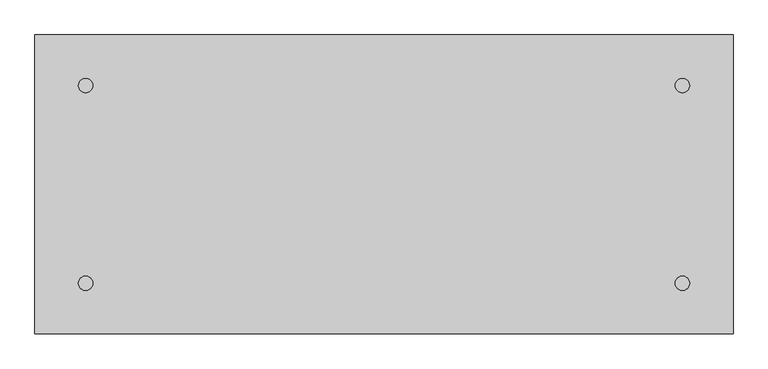
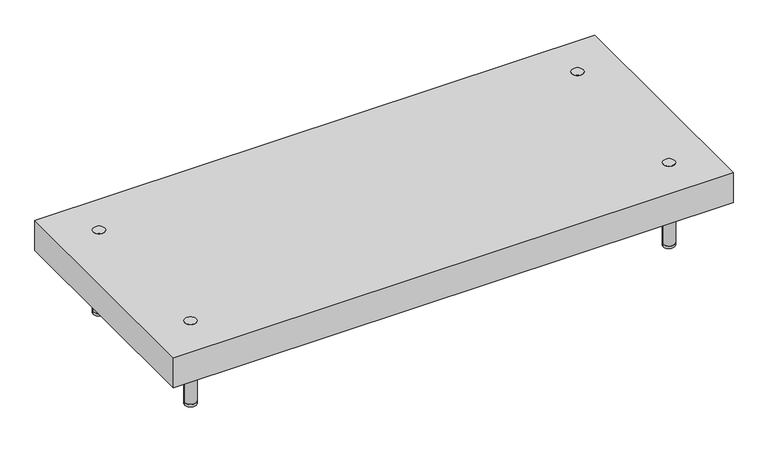
"""IFC4 building model written with IfcOpenShell, lengths in millimetres: furniture geometry."""

from ifc_helpers import new_model, si_unit, point, frame, frame_2d, origin, origin_with_axes, place, context, project, spatial, circle_curve, trimmed, segment, composite_curve, outline, extrude, faceted_brep, source, transform, mapped, element, save


def furniture_780ee21c(model_context):
    return source(origin(), model_context, "Body", "SolidModel", [
        extrude(outline(composite_curve([segment(trimmed(circle_curve(frame_2d((-694.7296875, 501.65)), 14.2875), [point((-709.0171875, 501.65))], [point((-680.4421875, 501.65))], False, "CARTESIAN"), True, "CONTINUOUS"), segment(trimmed(circle_curve(frame_2d((-694.7296875, 501.65)), 14.2875), [point((-680.4421875, 501.65))], [point((-709.0171875, 501.65))], False, "CARTESIAN"), True, "CONTINUOUS")], self_intersect=False)), origin_with_axes(), (0.0, 0.0, 1.0), 6.35),
        extrude(outline(composite_curve([segment(trimmed(circle_curve(frame_2d((501.65, 501.65)), 14.2875), [point((487.3625, 501.65))], [point((515.9375, 501.65))], False, "CARTESIAN"), True, "CONTINUOUS"), segment(trimmed(circle_curve(frame_2d((501.65, 501.65)), 14.2875), [point((515.9375, 501.65))], [point((487.3625, 501.65))], False, "CARTESIAN"), True, "CONTINUOUS")], self_intersect=False)), origin_with_axes(), (0.0, 0.0, 1.0), 6.35),
        extrude(outline(composite_curve([segment(trimmed(circle_curve(frame_2d((501.65, 105.3703125)), 14.2875), [point((487.3625, 105.3703125))], [point((515.9375, 105.3703125))], False, "CARTESIAN"), True, "CONTINUOUS"), segment(trimmed(circle_curve(frame_2d((501.65, 105.3703125)), 14.2875), [point((515.9375, 105.3703125))], [point((487.3625, 105.3703125))], False, "CARTESIAN"), True, "CONTINUOUS")], self_intersect=False)), origin_with_axes(), (0.0, 0.0, 1.0), 6.35),
        extrude(outline(composite_curve([segment(trimmed(circle_curve(frame_2d((-694.7296875, 105.3703125)), 14.2875), [point((-709.0171875, 105.3703125))], [point((-680.4421875, 105.3703125))], False, "CARTESIAN"), True, "CONTINUOUS"), segment(trimmed(circle_curve(frame_2d((-694.7296875, 105.3703125)), 14.2875), [point((-680.4421875, 105.3703125))], [point((-709.0171875, 105.3703125))], False, "CARTESIAN"), True, "CONTINUOUS")], self_intersect=False)), origin_with_axes(), (0.0, 0.0, 1.0), 6.35),
        extrude(outline(composite_curve([segment(trimmed(circle_curve(frame_2d((-694.7296875, 501.65)), 14.2875), [point((-709.0171875, 501.65))], [point((-680.4421875, 501.65))], False, "CARTESIAN"), True, "CONTINUOUS"), segment(trimmed(circle_curve(frame_2d((-694.7296875, 501.65)), 14.2875), [point((-680.4421875, 501.65))], [point((-709.0171875, 501.65))], False, "CARTESIAN"), True, "CONTINUOUS")], self_intersect=False)), frame((0.0, 0.0, 6.35), z_axis=(0.0, 0.0, 1.0), x_axis=(1.0, 0.0, 0.0)), (0.0, 0.0, 1.0), 211.93125),
        extrude(outline(composite_curve([segment(trimmed(circle_curve(frame_2d((-694.7296875, 105.3703125)), 14.2875), [point((-709.0171875, 105.3703125))], [point((-680.4421875, 105.3703125))], False, "CARTESIAN"), True, "CONTINUOUS"), segment(trimmed(circle_curve(frame_2d((-694.7296875, 105.3703125)), 14.2875), [point((-680.4421875, 105.3703125))], [point((-709.0171875, 105.3703125))], False, "CARTESIAN"), True, "CONTINUOUS")], self_intersect=False)), frame((0.0, 0.0, 6.35), z_axis=(0.0, 0.0, 1.0), x_axis=(1.0, 0.0, 0.0)), (0.0, 0.0, 1.0), 211.93125),
        extrude(outline(composite_curve([segment(trimmed(circle_curve(frame_2d((501.65, 105.3703125)), 14.2875), [point((487.3625, 105.3703125))], [point((515.9375, 105.3703125))], False, "CARTESIAN"), True, "CONTINUOUS"), segment(trimmed(circle_curve(frame_2d((501.65, 105.3703125)), 14.2875), [point((515.9375, 105.3703125))], [point((487.3625, 105.3703125))], False, "CARTESIAN"), True, "CONTINUOUS")], self_intersect=False)), frame((0.0, 0.0, 6.35), z_axis=(0.0, 0.0, 1.0), x_axis=(1.0, 0.0, 0.0)), (0.0, 0.0, 1.0), 211.93125),
        extrude(outline(composite_curve([segment(trimmed(circle_curve(frame_2d((501.65, 501.65)), 14.2875), [point((487.3625, 501.65))], [point((515.9375, 501.65))], False, "CARTESIAN"), True, "CONTINUOUS"), segment(trimmed(circle_curve(frame_2d((501.65, 501.65)), 14.2875), [point((515.9375, 501.65))], [point((487.3625, 501.65))], False, "CARTESIAN"), True, "CONTINUOUS")], self_intersect=False)), frame((0.0, 0.0, 6.35), z_axis=(0.0, 0.0, 1.0), x_axis=(1.0, 0.0, 0.0)), (0.0, 0.0, 1.0), 211.93125),
        faceted_brep([(603.25, 603.25, 217.5349959), (-796.3296875, 603.25, 217.5349959), (-796.3296875, 3.7703125, 217.5349959), (603.25, 3.7703125, 217.5349959), (-777.2796875, 584.2, 198.4849959), (584.2, 584.2, 198.4849959), (584.2, 22.8203125, 198.4849959), (-777.2796875, 22.8203125, 198.4849959), (603.25, 603.25, 138.1599989), (-796.3296875, 603.25, 138.1599989), (-796.3296875, 3.7703125, 138.1599989), (603.25, 3.7703125, 138.1599989), (-777.2796875, 584.2, 138.1599989), (-777.2796875, 22.8203125, 138.1599989), (584.2, 22.8203125, 138.1599989), (584.2, 584.2, 138.1599989)], [[[0, 1, 2, 3]], [[4, 5, 6, 7]], [[1, 0, 8, 9]], [[2, 1, 9, 10]], [[3, 2, 10, 11]], [[8, 0, 3, 11]], [[9, 8, 11, 10], [12, 13, 14, 15]], [[12, 15, 5, 4]], [[15, 14, 6, 5]], [[14, 13, 7, 6]], [[13, 12, 4, 7]]]),
    ])


if __name__ == "__main__":
    model = new_model("IFC4")
    model_context = context("Model", 3, world=origin())
    ifc_project = project(units=[si_unit("LENGTHUNIT", "METRE", prefix="MILLI")], contexts=[model_context])
    site = spatial("IfcSite", under=ifc_project)
    building = spatial("IfcBuilding", under=site)
    placement = place(None, origin())
    furniture_shape = furniture_780ee21c(model_context)
    element("IfcFurniture", 1, at=placement, inside=building, context=model_context, shape_type="MappedRepresentation", body=[
        mapped(furniture_shape, transform((0.0, 0.0, 0.0), x_axis=(1.0, 0.0, 0.0), y_axis=(0.0, 1.0, 0.0), z_axis=(0.0, 0.0, 1.0))),
    ])
    save(model, "model.ifc")
